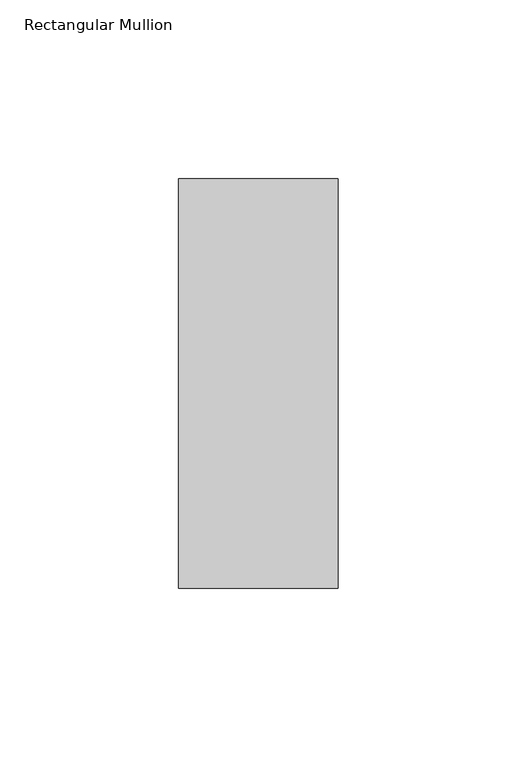
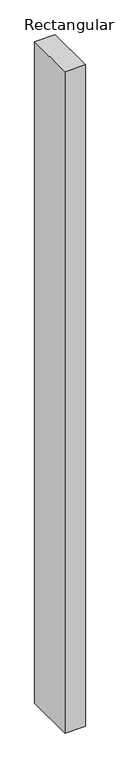
"""IFC4 building model written with IfcOpenShell, lengths in millimetres: member geometry, Rectangular Mullion."""

from ifc_helpers import new_model, si_unit, frame, origin, place, context, project, spatial, polyline, outline, extrude, source, transform, mapped, element, save


def rectangular_mullion_bbc15d68(model_context):
    return source(origin(), model_context, "Body", "SweptSolid", [
        extrude(outline(polyline([(0.0, 56.3844454), (0.0, -57.9084454), (-44.45, -57.9084454), (-44.45, 56.3844454), (0.0, 56.3844454)])), frame((0.0, 0.0, -1524.0), z_axis=(0.0, 0.0, 1.0), x_axis=(1.0, 0.0, 0.0)), (0.0, 0.0, 1.0), 1524.0),
    ])


if __name__ == "__main__":
    model = new_model("IFC4")
    model_context = context("Model", 3, world=origin())
    ifc_project = project(units=[si_unit("LENGTHUNIT", "METRE", prefix="MILLI")], contexts=[model_context])
    site = spatial("IfcSite", under=ifc_project)
    building = spatial("IfcBuilding", under=site)
    placement = place(None, origin())
    rectangular_mullion_shape = rectangular_mullion_bbc15d68(model_context)
    element("IfcMember", 1, ObjectType="Rectangular Mullion", at=placement, inside=building, context=model_context, shape_type="MappedRepresentation", body=[
        mapped(rectangular_mullion_shape, transform((0.0, 0.0, 0.0), x_axis=(1.0, 0.0, 0.0), y_axis=(0.0, 1.0, 0.0), z_axis=(0.0, 0.0, 1.0))),
    ])
    save(model, "model.ifc")
